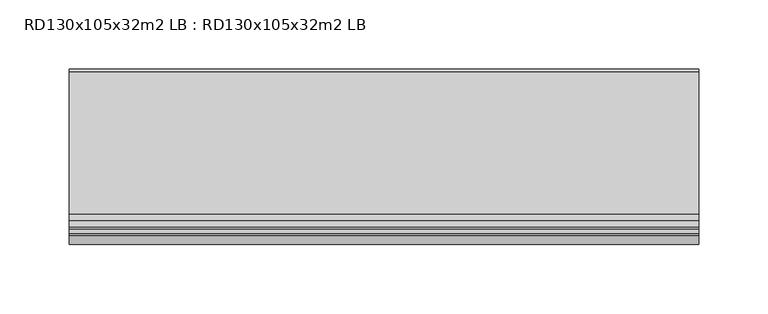
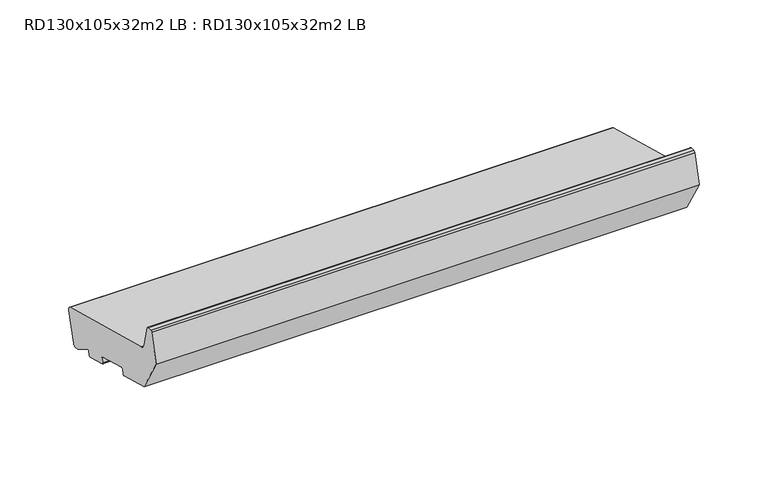
"""IFC4 building model written with IfcOpenShell, lengths in millimetres: proxy geometry, RD130x105x32m2 LB : RD130x105x32m2 LB."""

import ifcopenshell
import ifcopenshell.guid

model = None  # the IFC model being written
_history = None  # IfcOwnerHistory: only IFC2X3 demands one
_inside = {}  # id of a spatial element -> (the spatial element, [elements in it])
_under = {}  # id of a project, library or spatial element -> (it, [spatial elements below it])
_declared = {}  # id of a project -> (the project, [libraries it declares])
_typed = {}  # id of a type object -> (the type object, [elements of that type])
_made_of = {}  # id of a material, layer set ... -> (it, [elements and type objects made of it])


def new_model(schema):
    """Start an empty IFC model of exactly this schema.

    Asked for "IFC4X3", IfcOpenShell would pick the latest addendum, in which some entities
    have other attributes; the version numbers below select the first issue.
    IFC2X3 requires an IfcOwnerHistory on every rooted entity: one is made here for all.
    """
    global model, _history
    if schema == "IFC4X3":
        model = ifcopenshell.file(schema_version=(4, 3, 0, 0))
    else:
        model = ifcopenshell.file(schema=schema)
    _inside.clear()
    _under.clear()
    _declared.clear()
    _typed.clear()
    _made_of.clear()
    _history = None
    if model.schema == "IFC2X3":
        org = make("IfcOrganization", Name="unknown")
        user = make(
            "IfcPersonAndOrganization",
            ThePerson=make("IfcPerson", FamilyName="unknown"),
            TheOrganization=org,
        )
        app = make(
            "IfcApplication",
            ApplicationDeveloper=org,
            Version="unknown",
            ApplicationFullName="unknown",
            ApplicationIdentifier="unknown",
        )
        _history = make(
            "IfcOwnerHistory",
            OwningUser=user,
            OwningApplication=app,
            ChangeAction="ADDED",
            CreationDate=0,
        )
    return model


def make(cls, **values):
    """One entity of the class cls with the attributes given. An attribute that is None is left unset."""
    return model.create_entity(
        cls, **{name: value for name, value in values.items() if value is not None}
    )


def rooted(cls, **values):
    """An entity with a GlobalId (a new one), such as an element, a storey or a relation."""
    return make(cls, GlobalId=ifcopenshell.guid.new(), OwnerHistory=_history, **values)


def si_unit(unit_type, name, prefix=None):
    """IfcSIUnit, for example si_unit("LENGTHUNIT", "METRE", prefix="MILLI")."""
    return make("IfcSIUnit", UnitType=unit_type, Prefix=prefix, Name=name)


def assignment(units):
    """IfcUnitAssignment: the units of a project."""
    return None if units is None else make("IfcUnitAssignment", Units=units)


def point(xyz):
    """IfcCartesianPoint."""
    return None if xyz is None else make("IfcCartesianPoint", Coordinates=xyz)


def direction(xyz):
    """IfcDirection."""
    return None if xyz is None else make("IfcDirection", DirectionRatios=xyz)


def frame(location, z_axis=None, x_axis=None):
    """IfcAxis2Placement3D, a coordinate frame: its origin and axes. An axis left out is left unset."""
    return make(
        "IfcAxis2Placement3D",
        Location=point(location),
        Axis=direction(z_axis),
        RefDirection=direction(x_axis),
    )


def frame_2d(location, x_axis=None):
    """IfcAxis2Placement2D, a coordinate frame in the plane: its origin and x axis."""
    return make(
        "IfcAxis2Placement2D", Location=point(location), RefDirection=direction(x_axis)
    )


def origin():
    """The frame at (0, 0, 0) with its axes left unset."""
    return frame((0.0, 0.0, 0.0))


def place(relative_to, where):
    """IfcLocalPlacement: puts the frame where relative to a parent placement (None: the world)."""
    return make(
        "IfcLocalPlacement", PlacementRelTo=relative_to, RelativePlacement=where
    )


def context(
    kind, dimensions, precision=None, world=None, true_north=None, identifier=None
):
    """IfcGeometricRepresentationContext, for example the 3D "Model" context."""
    return make(
        "IfcGeometricRepresentationContext",
        ContextIdentifier=identifier,
        ContextType=kind,
        CoordinateSpaceDimension=dimensions,
        Precision=precision,
        WorldCoordinateSystem=world,
        TrueNorth=true_north,
    )


def project(units=None, contexts=None):
    """IfcProject with its units and contexts."""
    return rooted(
        "IfcProject",
        Name="project",
        RepresentationContexts=contexts,
        UnitsInContext=assignment(units),
    )


def spatial(cls, under=None, at=None, **own):
    """A site, building, storey or space (cls), placed at a placement, below another one or the project."""
    s = rooted(cls, ObjectPlacement=at, **own)
    if under is not None:
        _under.setdefault(under.id(), (under, []))[1].append(s)
    return s


def polyline(points):
    """IfcPolyline through the points."""
    return make("IfcPolyline", Points=[point(p) for p in points])


def circle_curve(where, radius):
    """IfcCircle in the frame where."""
    return make("IfcCircle", Position=where, Radius=radius)


def trimmed(basis, trim1, trim2, sense, master):
    """IfcTrimmedCurve: the piece of a basis curve between two trims."""
    return make(
        "IfcTrimmedCurve",
        BasisCurve=basis,
        Trim1=trim1,
        Trim2=trim2,
        SenseAgreement=sense,
        MasterRepresentation=master,
    )


def segment(curve, same_sense, transition):
    """IfcCompositeCurveSegment."""
    return make(
        "IfcCompositeCurveSegment",
        Transition=transition,
        SameSense=same_sense,
        ParentCurve=curve,
    )


def composite_curve(segments, self_intersect=None):
    """IfcCompositeCurve: segments joined end to end."""
    return make("IfcCompositeCurve", Segments=segments, SelfIntersect=self_intersect)


def outline(outer, holes=None, kind="AREA"):
    """IfcArbitraryClosedProfileDef: a profile drawn as a closed curve; with holes, ...WithVoids."""
    if holes is None:
        return make("IfcArbitraryClosedProfileDef", ProfileType=kind, OuterCurve=outer)
    return make(
        "IfcArbitraryProfileDefWithVoids",
        ProfileType=kind,
        OuterCurve=outer,
        InnerCurves=holes,
    )


def extrude(swept, where, along, depth):
    """IfcExtrudedAreaSolid: the profile swept, set in the frame where, extruded along a direction by depth."""
    return make(
        "IfcExtrudedAreaSolid",
        SweptArea=swept,
        Position=where,
        ExtrudedDirection=direction(along),
        Depth=depth,
    )


def shape(context_of_items, identifier, shape_type, items):
    """IfcShapeRepresentation: the items that make up one representation, for example the "Body"."""
    return make(
        "IfcShapeRepresentation",
        ContextOfItems=context_of_items,
        RepresentationIdentifier=identifier,
        RepresentationType=shape_type,
        Items=items,
    )


def source(mapping_origin, context_of_items, identifier, shape_type, items):
    """IfcRepresentationMap: a shape defined once, which mapped items show again and again."""
    return make(
        "IfcRepresentationMap",
        MappingOrigin=mapping_origin,
        MappedRepresentation=shape(context_of_items, identifier, shape_type, items),
    )


def transform(
    local_origin,
    x_axis=None,
    y_axis=None,
    z_axis=None,
    scale=None,
    scale2=None,
    scale3=None,
    uniform=True,
):
    """IfcCartesianTransformationOperator3D, or its non-uniform kind. x_axis, y_axis, z_axis: its Axis1, 2, 3."""
    if uniform:
        return make(
            "IfcCartesianTransformationOperator3D",
            Axis1=direction(x_axis),
            Axis2=direction(y_axis),
            LocalOrigin=point(local_origin),
            Scale=scale,
            Axis3=direction(z_axis),
        )
    return make(
        "IfcCartesianTransformationOperator3DnonUniform",
        Axis1=direction(x_axis),
        Axis2=direction(y_axis),
        LocalOrigin=point(local_origin),
        Scale=scale,
        Axis3=direction(z_axis),
        Scale2=scale2,
        Scale3=scale3,
    )


def mapped(mapping_source, mapping_target):
    """IfcMappedItem: shows the shape of a source again, moved by a transform."""
    return make(
        "IfcMappedItem", MappingSource=mapping_source, MappingTarget=mapping_target
    )


def made_of(thing, what):
    """Note that an element or type object is made of a material, layer set ...; save() writes the relation."""
    if what is not None:
        _made_of.setdefault(what.id(), (what, []))[1].append(thing)
    return thing


def element(
    cls,
    number,
    at=None,
    inside=None,
    cuts=None,
    type_object=None,
    material=None,
    context=None,
    identifier="Body",
    shape_type=None,
    held_by="IfcProductDefinitionShape",
    body=None,
    shapes=None,
    **own,
):
    """One element of the class cls, such as IfcWall. Its Tag is "e" and its number.

    at: its placement. inside: the storey or other place that contains it. cuts: it is an
    opening in that element (IfcRelVoidsElement). A single representation is given by context,
    identifier, shape_type and body (its items); several are given by shapes. held_by: the class
    of the entity that holds the representations. save() writes the other relations.
    """
    e = rooted(cls, Tag="e%d" % number, ObjectPlacement=at, **own)
    if body is not None:
        shapes = [shape(context, identifier, shape_type, body)]
    if shapes is not None:
        e.Representation = make(held_by, Representations=shapes)
    if inside is not None:
        _inside.setdefault(inside.id(), (inside, []))[1].append(e)
    if cuts is not None:
        rooted(
            "IfcRelVoidsElement", RelatingBuildingElement=cuts, RelatedOpeningElement=e
        )
    if type_object is not None:
        _typed.setdefault(type_object.id(), (type_object, []))[1].append(e)
    return made_of(e, material)


def aggregate(whole, parts):
    """IfcRelAggregates: a whole, such as a stair, and the parts it consists of."""
    return rooted("IfcRelAggregates", RelatingObject=whole, RelatedObjects=parts)


def save(model, path):
    """Write the relations noted so far, then the file.

    IfcRelAggregates (storeys below a building ...), IfcRelContainedInSpatialStructure (elements
    in a storey), IfcRelDefinesByType, IfcRelAssociatesMaterial and IfcRelDeclares: one each for
    every whole, place, type object, material and project.
    """
    for whole, parts in _under.values():
        aggregate(whole, parts)
    for where, things in _inside.values():
        rooted(
            "IfcRelContainedInSpatialStructure",
            RelatedElements=things,
            RelatingStructure=where,
        )
    for kind, things in _typed.values():
        rooted("IfcRelDefinesByType", RelatedObjects=things, RelatingType=kind)
    for what, things in _made_of.values():
        rooted("IfcRelAssociatesMaterial", RelatedObjects=things, RelatingMaterial=what)
    for by, libraries in _declared.values():
        rooted("IfcRelDeclares", RelatingContext=by, RelatedDefinitions=libraries)
    model.write(path)


def rd130x105x32m2_lb_rd130x105x32m2_lb_f04d7a4b(model_context):
    return source(origin(), model_context, "Body", "SweptSolid", [
        extrude(outline(composite_curve([segment(trimmed(circle_curve(frame_2d((25.23738, 11.7764571)), 3.0), [point((28.1351575, 11.0))], [point((24.4609229, 8.8786797))], False, "CARTESIAN"), True, "CONTINUOUS"), segment(polyline([(24.4609229, 8.8786797), (21.7441453, 9.606638), (7.5759156, 18.1940842)]), True, "CONTINUOUS"), segment(trimmed(circle_curve(frame_2d((7.0575856, 17.3389035)), 1.0), [point((7.5759156, 18.1940842))], [point((6.0916598, 17.5977226))], True, "CARTESIAN"), True, "CONTINUOUS"), segment(polyline([(6.0916598, 17.5977226), (5.1424063, 14.0550606)]), True, "CONTINUOUS"), segment(trimmed(circle_curve(frame_2d((4.1764805, 14.3138796)), 1.0), [point((5.1424063, 14.0550606))], [point((3.9176615, 13.3479538))], False, "CARTESIAN"), True, "CONTINUOUS"), segment(polyline([(3.9176615, 13.3479538), (-13.4690034, 18.0066966)]), True, "CONTINUOUS"), segment(trimmed(circle_curve(frame_2d((-13.2101844, 18.9726224)), 1.0), [point((-13.4690034, 18.0066966))], [point((-14.1761102, 19.2314415))], False, "CARTESIAN"), True, "CONTINUOUS"), segment(polyline([(-14.1761102, 19.2314415), (-13.140834, 23.0951448)]), True, "CONTINUOUS"), segment(trimmed(circle_curve(frame_2d((-14.1067598, 23.3539638)), 1.0), [point((-13.140834, 23.0951448))], [point((-13.8479408, 24.3198896))], True, "CARTESIAN"), True, "CONTINUOUS"), segment(polyline([(-13.8479408, 24.3198896), (-41.8597898, 31.8256419)]), True, "CONTINUOUS"), segment(trimmed(circle_curve(frame_2d((-42.1186088, 30.8597161)), 1.0), [point((-41.8597898, 31.8256419))], [point((-43.0845346, 31.1185352))], True, "CARTESIAN"), True, "CONTINUOUS"), segment(polyline([(-43.0845346, 31.1185352), (-44.1198108, 27.2548319)]), True, "CONTINUOUS"), segment(trimmed(circle_curve(frame_2d((-45.0857366, 27.5136509)), 1.0), [point((-44.1198108, 27.2548319))], [point((-45.3445557, 26.5477251))], False, "CARTESIAN"), True, "CONTINUOUS"), segment(polyline([(-45.3445557, 26.5477251), (-74.3223305, 34.3122964), (-92.0, 64.9309182), (-85.4291321, 89.4537311)]), True, "CONTINUOUS"), segment(trimmed(circle_curve(frame_2d((-83.9802434, 89.0655025)), 1.5), [point((-85.4291321, 89.4537311))], [point((-83.9802434, 90.5655025))], False, "CARTESIAN"), True, "CONTINUOUS"), segment(polyline([(-83.9802434, 90.5655025), (-80.6368689, 90.5655025)]), True, "CONTINUOUS"), segment(trimmed(circle_curve(frame_2d((-80.6368689, 89.0655025)), 1.5), [point((-80.6368689, 90.5655025))], [point((-79.1879801, 89.4537311))], False, "CARTESIAN"), True, "CONTINUOUS"), segment(polyline([(-79.1879801, 89.4537311), (-74.4052841, 71.6044663)]), True, "CONTINUOUS"), segment(trimmed(circle_curve(frame_2d((-68.6097291, 73.1573805)), 6.0), [point((-74.4052841, 71.6044663))], [point((-70.1626434, 67.3618256))], True, "CARTESIAN"), True, "CONTINUOUS"), segment(polyline([(-70.1626434, 67.3618256), (32.7431323, 39.7883061)]), True, "CONTINUOUS"), segment(trimmed(circle_curve(frame_2d((31.9666752, 36.8905286)), 3.0), [point((32.7431323, 39.7883061))], [point((34.8644526, 36.1140715))], False, "CARTESIAN"), True, "CONTINUOUS"), segment(polyline([(34.8644526, 36.1140715), (28.1351575, 11.0)]), True, "CONTINUOUS")], self_intersect=False)), frame((0.0, 0.0, 0.0), z_axis=(1.0, 0.0, 0.0), x_axis=(0.0, 1.0, 0.0)), (0.0, 0.0, 1.0), 455.0),
    ])


if __name__ == "__main__":
    model = new_model("IFC4")
    model_context = context("Model", 3, world=origin())
    ifc_project = project(units=[si_unit("LENGTHUNIT", "METRE", prefix="MILLI")], contexts=[model_context])
    site = spatial("IfcSite", under=ifc_project)
    building = spatial("IfcBuilding", under=site)
    placement = place(None, origin())
    rd130x105x32m2_lb_rd130x105x32m2_lb_shape = rd130x105x32m2_lb_rd130x105x32m2_lb_f04d7a4b(model_context)
    element("IfcBuildingElementProxy", 1, Name="RD130x105x32m2 LB : RD130x105x32m2 LB", ObjectType="RD130x105x32m2 LB : RD130x105x32m2 LB", at=placement, inside=building, context=model_context, shape_type="MappedRepresentation", body=[
        mapped(rd130x105x32m2_lb_rd130x105x32m2_lb_shape, transform((0.0, 0.0, 0.0), x_axis=(1.0, 0.0, 0.0), y_axis=(0.0, 1.0, 0.0), z_axis=(0.0, 0.0, 1.0))),
    ])
    save(model, "model.ifc")
